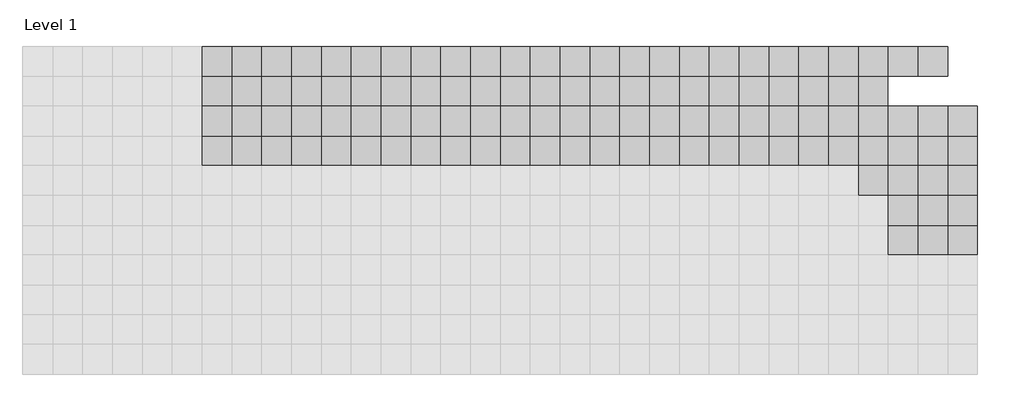
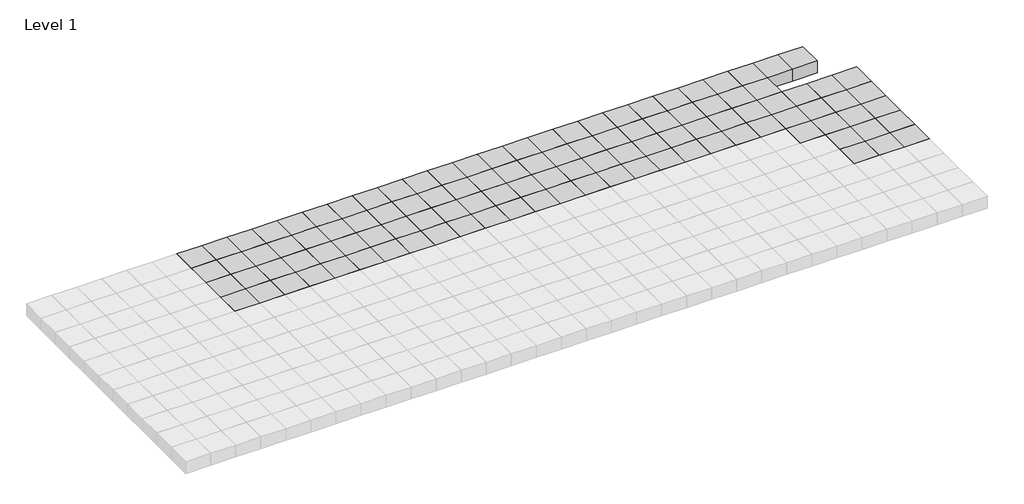
# One storey, part 20 of 30: 110 columns.
"""IFC4 building model written with IfcOpenShell, lengths in millimetres."""

import ifcopenshell
import ifcopenshell.guid

model = None  # the IFC model being written
_history = None  # IfcOwnerHistory: only IFC2X3 demands one
_inside = {}  # id of a spatial element -> (the spatial element, [elements in it])
_under = {}  # id of a project, library or spatial element -> (it, [spatial elements below it])
_declared = {}  # id of a project -> (the project, [libraries it declares])
_typed = {}  # id of a type object -> (the type object, [elements of that type])
_made_of = {}  # id of a material, layer set ... -> (it, [elements and type objects made of it])


def new_model(schema):
    """Start an empty IFC model of exactly this schema.

    Asked for "IFC4X3", IfcOpenShell would pick the latest addendum, in which some entities
    have other attributes; the version numbers below select the first issue.
    IFC2X3 requires an IfcOwnerHistory on every rooted entity: one is made here for all.
    """
    global model, _history
    if schema == "IFC4X3":
        model = ifcopenshell.file(schema_version=(4, 3, 0, 0))
    else:
        model = ifcopenshell.file(schema=schema)
    _inside.clear()
    _under.clear()
    _declared.clear()
    _typed.clear()
    _made_of.clear()
    _history = None
    if model.schema == "IFC2X3":
        org = make("IfcOrganization", Name="unknown")
        user = make(
            "IfcPersonAndOrganization",
            ThePerson=make("IfcPerson", FamilyName="unknown"),
            TheOrganization=org,
        )
        app = make(
            "IfcApplication",
            ApplicationDeveloper=org,
            Version="unknown",
            ApplicationFullName="unknown",
            ApplicationIdentifier="unknown",
        )
        _history = make(
            "IfcOwnerHistory",
            OwningUser=user,
            OwningApplication=app,
            ChangeAction="ADDED",
            CreationDate=0,
        )
    return model


def make(cls, **values):
    """One entity of the class cls with the attributes given. An attribute that is None is left unset."""
    return model.create_entity(
        cls, **{name: value for name, value in values.items() if value is not None}
    )


def rooted(cls, **values):
    """An entity with a GlobalId (a new one), such as an element, a storey or a relation."""
    return make(cls, GlobalId=ifcopenshell.guid.new(), OwnerHistory=_history, **values)


def si_unit(unit_type, name, prefix=None):
    """IfcSIUnit, for example si_unit("LENGTHUNIT", "METRE", prefix="MILLI")."""
    return make("IfcSIUnit", UnitType=unit_type, Prefix=prefix, Name=name)


def assignment(units):
    """IfcUnitAssignment: the units of a project."""
    return None if units is None else make("IfcUnitAssignment", Units=units)


def point(xyz):
    """IfcCartesianPoint."""
    return None if xyz is None else make("IfcCartesianPoint", Coordinates=xyz)


def direction(xyz):
    """IfcDirection."""
    return None if xyz is None else make("IfcDirection", DirectionRatios=xyz)


def frame(location, z_axis=None, x_axis=None):
    """IfcAxis2Placement3D, a coordinate frame: its origin and axes. An axis left out is left unset."""
    return make(
        "IfcAxis2Placement3D",
        Location=point(location),
        Axis=direction(z_axis),
        RefDirection=direction(x_axis),
    )


def origin():
    """The frame at (0, 0, 0) with its axes left unset."""
    return frame((0.0, 0.0, 0.0))


def origin_with_axes():
    """The frame at (0, 0, 0) with the z axis (0, 0, 1) and the x axis (1, 0, 0) written out."""
    return frame((0.0, 0.0, 0.0), z_axis=(0.0, 0.0, 1.0), x_axis=(1.0, 0.0, 0.0))


def place(relative_to, where):
    """IfcLocalPlacement: puts the frame where relative to a parent placement (None: the world)."""
    return make(
        "IfcLocalPlacement", PlacementRelTo=relative_to, RelativePlacement=where
    )


def context(
    kind, dimensions, precision=None, world=None, true_north=None, identifier=None
):
    """IfcGeometricRepresentationContext, for example the 3D "Model" context."""
    return make(
        "IfcGeometricRepresentationContext",
        ContextIdentifier=identifier,
        ContextType=kind,
        CoordinateSpaceDimension=dimensions,
        Precision=precision,
        WorldCoordinateSystem=world,
        TrueNorth=true_north,
    )


def project(units=None, contexts=None):
    """IfcProject with its units and contexts."""
    return rooted(
        "IfcProject",
        Name="project",
        RepresentationContexts=contexts,
        UnitsInContext=assignment(units),
    )


def spatial(cls, under=None, at=None, **own):
    """A site, building, storey or space (cls), placed at a placement, below another one or the project."""
    s = rooted(cls, ObjectPlacement=at, **own)
    if under is not None:
        _under.setdefault(under.id(), (under, []))[1].append(s)
    return s


def polyline(points):
    """IfcPolyline through the points."""
    return make("IfcPolyline", Points=[point(p) for p in points])


def outline(outer, holes=None, kind="AREA"):
    """IfcArbitraryClosedProfileDef: a profile drawn as a closed curve; with holes, ...WithVoids."""
    if holes is None:
        return make("IfcArbitraryClosedProfileDef", ProfileType=kind, OuterCurve=outer)
    return make(
        "IfcArbitraryProfileDefWithVoids",
        ProfileType=kind,
        OuterCurve=outer,
        InnerCurves=holes,
    )


def extrude(swept, where, along, depth):
    """IfcExtrudedAreaSolid: the profile swept, set in the frame where, extruded along a direction by depth."""
    return make(
        "IfcExtrudedAreaSolid",
        SweptArea=swept,
        Position=where,
        ExtrudedDirection=direction(along),
        Depth=depth,
    )


def shape(context_of_items, identifier, shape_type, items):
    """IfcShapeRepresentation: the items that make up one representation, for example the "Body"."""
    return make(
        "IfcShapeRepresentation",
        ContextOfItems=context_of_items,
        RepresentationIdentifier=identifier,
        RepresentationType=shape_type,
        Items=items,
    )


def source(mapping_origin, context_of_items, identifier, shape_type, items):
    """IfcRepresentationMap: a shape defined once, which mapped items show again and again."""
    return make(
        "IfcRepresentationMap",
        MappingOrigin=mapping_origin,
        MappedRepresentation=shape(context_of_items, identifier, shape_type, items),
    )


def transform(
    local_origin,
    x_axis=None,
    y_axis=None,
    z_axis=None,
    scale=None,
    scale2=None,
    scale3=None,
    uniform=True,
):
    """IfcCartesianTransformationOperator3D, or its non-uniform kind. x_axis, y_axis, z_axis: its Axis1, 2, 3."""
    if uniform:
        return make(
            "IfcCartesianTransformationOperator3D",
            Axis1=direction(x_axis),
            Axis2=direction(y_axis),
            LocalOrigin=point(local_origin),
            Scale=scale,
            Axis3=direction(z_axis),
        )
    return make(
        "IfcCartesianTransformationOperator3DnonUniform",
        Axis1=direction(x_axis),
        Axis2=direction(y_axis),
        LocalOrigin=point(local_origin),
        Scale=scale,
        Axis3=direction(z_axis),
        Scale2=scale2,
        Scale3=scale3,
    )


def mapped(mapping_source, mapping_target):
    """IfcMappedItem: shows the shape of a source again, moved by a transform."""
    return make(
        "IfcMappedItem", MappingSource=mapping_source, MappingTarget=mapping_target
    )


def made_of(thing, what):
    """Note that an element or type object is made of a material, layer set ...; save() writes the relation."""
    if what is not None:
        _made_of.setdefault(what.id(), (what, []))[1].append(thing)
    return thing


def element(
    cls,
    number,
    at=None,
    inside=None,
    cuts=None,
    type_object=None,
    material=None,
    context=None,
    identifier="Body",
    shape_type=None,
    held_by="IfcProductDefinitionShape",
    body=None,
    shapes=None,
    **own,
):
    """One element of the class cls, such as IfcWall. Its Tag is "e" and its number.

    at: its placement. inside: the storey or other place that contains it. cuts: it is an
    opening in that element (IfcRelVoidsElement). A single representation is given by context,
    identifier, shape_type and body (its items); several are given by shapes. held_by: the class
    of the entity that holds the representations. save() writes the other relations.
    """
    e = rooted(cls, Tag="e%d" % number, ObjectPlacement=at, **own)
    if body is not None:
        shapes = [shape(context, identifier, shape_type, body)]
    if shapes is not None:
        e.Representation = make(held_by, Representations=shapes)
    if inside is not None:
        _inside.setdefault(inside.id(), (inside, []))[1].append(e)
    if cuts is not None:
        rooted(
            "IfcRelVoidsElement", RelatingBuildingElement=cuts, RelatedOpeningElement=e
        )
    if type_object is not None:
        _typed.setdefault(type_object.id(), (type_object, []))[1].append(e)
    return made_of(e, material)


def aggregate(whole, parts):
    """IfcRelAggregates: a whole, such as a stair, and the parts it consists of."""
    return rooted("IfcRelAggregates", RelatingObject=whole, RelatedObjects=parts)


def save(model, path):
    """Write the relations noted so far, then the file.

    IfcRelAggregates (storeys below a building ...), IfcRelContainedInSpatialStructure (elements
    in a storey), IfcRelDefinesByType, IfcRelAssociatesMaterial and IfcRelDeclares: one each for
    every whole, place, type object, material and project.
    """
    for whole, parts in _under.values():
        aggregate(whole, parts)
    for where, things in _inside.values():
        rooted(
            "IfcRelContainedInSpatialStructure",
            RelatedElements=things,
            RelatingStructure=where,
        )
    for kind, things in _typed.values():
        rooted("IfcRelDefinesByType", RelatedObjects=things, RelatingType=kind)
    for what, things in _made_of.values():
        rooted("IfcRelAssociatesMaterial", RelatedObjects=things, RelatingMaterial=what)
    for by, libraries in _declared.values():
        rooted("IfcRelDeclares", RelatingContext=by, RelatedDefinitions=libraries)
    model.write(path)


def m_concrete_square_column_600_x_600mm_cc081a69(model_context):
    return source(origin(), model_context, "Body", "SweptSolid", [
        extrude(outline(polyline([(300.0, 300.0), (300.0, -300.0), (-300.0, -300.0), (-300.0, 300.0), (300.0, 300.0)])), origin_with_axes(), (0.0, 0.0, 1.0), 300.0),
    ])


model = new_model("IFC4")

# Units and contexts
model_context = context("Model", 3, world=origin())
ifc_project = project(units=[si_unit("LENGTHUNIT", "METRE", prefix="MILLI")], contexts=[model_context])

# Site, building, storey
site = spatial("IfcSite", under=ifc_project)
building = spatial("IfcBuilding", under=site)
storey = spatial("IfcBuildingStorey", under=building, Name="Level 1", Elevation=0.0)

# Columns
placement = place(None, origin())
m_concrete_square_column_600_x_600mm_shape = m_concrete_square_column_600_x_600mm_cc081a69(model_context)
element("IfcColumn", 1, ObjectType="M_Concrete-Square-Column : 600 x 600mm", at=placement, inside=storey, context=model_context, shape_type="MappedRepresentation", body=[
    mapped(m_concrete_square_column_600_x_600mm_shape, transform((80450.9001936, 25869.0976583, 0.0), x_axis=(1.0, 0.0, 0.0), y_axis=(0.0, 1.0, 0.0), z_axis=(0.0, 0.0, 1.0))),
])
element("IfcColumn", 2, ObjectType="M_Concrete-Square-Column : 600 x 600mm", at=placement, inside=storey, context=model_context, shape_type="MappedRepresentation", body=[
    mapped(m_concrete_square_column_600_x_600mm_shape, transform((80450.9001936, 25269.0976583, 0.0), x_axis=(1.0, 0.0, 0.0), y_axis=(0.0, 1.0, 0.0), z_axis=(0.0, 0.0, 1.0))),
])
element("IfcColumn", 3, ObjectType="M_Concrete-Square-Column : 600 x 600mm", at=placement, inside=storey, context=model_context, shape_type="MappedRepresentation", body=[
    mapped(m_concrete_square_column_600_x_600mm_shape, transform((80450.9001936, 24669.0976583, 0.0), x_axis=(1.0, 0.0, 0.0), y_axis=(0.0, 1.0, 0.0), z_axis=(0.0, 0.0, 1.0))),
])
element("IfcColumn", 4, ObjectType="M_Concrete-Square-Column : 600 x 600mm", at=placement, inside=storey, context=model_context, shape_type="MappedRepresentation", body=[
    mapped(m_concrete_square_column_600_x_600mm_shape, transform((80450.9001936, 24069.0976583, 0.0), x_axis=(1.0, 0.0, 0.0), y_axis=(0.0, 1.0, 0.0), z_axis=(0.0, 0.0, 1.0))),
])
element("IfcColumn", 5, ObjectType="M_Concrete-Square-Column : 600 x 600mm", at=placement, inside=storey, context=model_context, shape_type="MappedRepresentation", body=[
    mapped(m_concrete_square_column_600_x_600mm_shape, transform((81050.9001936, 25869.0976583, 0.0), x_axis=(1.0, 0.0, 0.0), y_axis=(0.0, 1.0, 0.0), z_axis=(0.0, 0.0, 1.0))),
])
element("IfcColumn", 6, ObjectType="M_Concrete-Square-Column : 600 x 600mm", at=placement, inside=storey, context=model_context, shape_type="MappedRepresentation", body=[
    mapped(m_concrete_square_column_600_x_600mm_shape, transform((81650.9001936, 25869.0976583, 0.0), x_axis=(1.0, 0.0, 0.0), y_axis=(0.0, 1.0, 0.0), z_axis=(0.0, 0.0, 1.0))),
])
element("IfcColumn", 7, ObjectType="M_Concrete-Square-Column : 600 x 600mm", at=placement, inside=storey, context=model_context, shape_type="MappedRepresentation", body=[
    mapped(m_concrete_square_column_600_x_600mm_shape, transform((82250.9001936, 25869.0976583, 0.0), x_axis=(1.0, 0.0, 0.0), y_axis=(0.0, 1.0, 0.0), z_axis=(0.0, 0.0, 1.0))),
])
element("IfcColumn", 8, ObjectType="M_Concrete-Square-Column : 600 x 600mm", at=placement, inside=storey, context=model_context, shape_type="MappedRepresentation", body=[
    mapped(m_concrete_square_column_600_x_600mm_shape, transform((82850.9001936, 25869.0976583, 0.0), x_axis=(1.0, 0.0, 0.0), y_axis=(0.0, 1.0, 0.0), z_axis=(0.0, 0.0, 1.0))),
])
element("IfcColumn", 9, ObjectType="M_Concrete-Square-Column : 600 x 600mm", at=placement, inside=storey, context=model_context, shape_type="MappedRepresentation", body=[
    mapped(m_concrete_square_column_600_x_600mm_shape, transform((83450.9001936, 25869.0976583, 0.0), x_axis=(1.0, 0.0, 0.0), y_axis=(0.0, 1.0, 0.0), z_axis=(0.0, 0.0, 1.0))),
])
element("IfcColumn", 10, ObjectType="M_Concrete-Square-Column : 600 x 600mm", at=placement, inside=storey, context=model_context, shape_type="MappedRepresentation", body=[
    mapped(m_concrete_square_column_600_x_600mm_shape, transform((81050.9001936, 25269.0976583, 0.0), x_axis=(1.0, 0.0, 0.0), y_axis=(0.0, 1.0, 0.0), z_axis=(0.0, 0.0, 1.0))),
])
element("IfcColumn", 11, ObjectType="M_Concrete-Square-Column : 600 x 600mm", at=placement, inside=storey, context=model_context, shape_type="MappedRepresentation", body=[
    mapped(m_concrete_square_column_600_x_600mm_shape, transform((81650.9001936, 25269.0976583, 0.0), x_axis=(1.0, 0.0, 0.0), y_axis=(0.0, 1.0, 0.0), z_axis=(0.0, 0.0, 1.0))),
])
element("IfcColumn", 12, ObjectType="M_Concrete-Square-Column : 600 x 600mm", at=placement, inside=storey, context=model_context, shape_type="MappedRepresentation", body=[
    mapped(m_concrete_square_column_600_x_600mm_shape, transform((82250.9001936, 25269.0976583, 0.0), x_axis=(1.0, 0.0, 0.0), y_axis=(0.0, 1.0, 0.0), z_axis=(0.0, 0.0, 1.0))),
])
element("IfcColumn", 13, ObjectType="M_Concrete-Square-Column : 600 x 600mm", at=placement, inside=storey, context=model_context, shape_type="MappedRepresentation", body=[
    mapped(m_concrete_square_column_600_x_600mm_shape, transform((82850.9001936, 25269.0976583, 0.0), x_axis=(1.0, 0.0, 0.0), y_axis=(0.0, 1.0, 0.0), z_axis=(0.0, 0.0, 1.0))),
])
element("IfcColumn", 14, ObjectType="M_Concrete-Square-Column : 600 x 600mm", at=placement, inside=storey, context=model_context, shape_type="MappedRepresentation", body=[
    mapped(m_concrete_square_column_600_x_600mm_shape, transform((83450.9001936, 25269.0976583, 0.0), x_axis=(1.0, 0.0, 0.0), y_axis=(0.0, 1.0, 0.0), z_axis=(0.0, 0.0, 1.0))),
])
element("IfcColumn", 15, ObjectType="M_Concrete-Square-Column : 600 x 600mm", at=placement, inside=storey, context=model_context, shape_type="MappedRepresentation", body=[
    mapped(m_concrete_square_column_600_x_600mm_shape, transform((81050.9001936, 24669.0976583, 0.0), x_axis=(1.0, 0.0, 0.0), y_axis=(0.0, 1.0, 0.0), z_axis=(0.0, 0.0, 1.0))),
])
element("IfcColumn", 16, ObjectType="M_Concrete-Square-Column : 600 x 600mm", at=placement, inside=storey, context=model_context, shape_type="MappedRepresentation", body=[
    mapped(m_concrete_square_column_600_x_600mm_shape, transform((81650.9001936, 24669.0976583, 0.0), x_axis=(1.0, 0.0, 0.0), y_axis=(0.0, 1.0, 0.0), z_axis=(0.0, 0.0, 1.0))),
])
element("IfcColumn", 17, ObjectType="M_Concrete-Square-Column : 600 x 600mm", at=placement, inside=storey, context=model_context, shape_type="MappedRepresentation", body=[
    mapped(m_concrete_square_column_600_x_600mm_shape, transform((82250.9001936, 24669.0976583, 0.0), x_axis=(1.0, 0.0, 0.0), y_axis=(0.0, 1.0, 0.0), z_axis=(0.0, 0.0, 1.0))),
])
element("IfcColumn", 18, ObjectType="M_Concrete-Square-Column : 600 x 600mm", at=placement, inside=storey, context=model_context, shape_type="MappedRepresentation", body=[
    mapped(m_concrete_square_column_600_x_600mm_shape, transform((82850.9001936, 24669.0976583, 0.0), x_axis=(1.0, 0.0, 0.0), y_axis=(0.0, 1.0, 0.0), z_axis=(0.0, 0.0, 1.0))),
])
element("IfcColumn", 19, ObjectType="M_Concrete-Square-Column : 600 x 600mm", at=placement, inside=storey, context=model_context, shape_type="MappedRepresentation", body=[
    mapped(m_concrete_square_column_600_x_600mm_shape, transform((83450.9001936, 24669.0976583, 0.0), x_axis=(1.0, 0.0, 0.0), y_axis=(0.0, 1.0, 0.0), z_axis=(0.0, 0.0, 1.0))),
])
element("IfcColumn", 20, ObjectType="M_Concrete-Square-Column : 600 x 600mm", at=placement, inside=storey, context=model_context, shape_type="MappedRepresentation", body=[
    mapped(m_concrete_square_column_600_x_600mm_shape, transform((81050.9001936, 24069.0976583, 0.0), x_axis=(1.0, 0.0, 0.0), y_axis=(0.0, 1.0, 0.0), z_axis=(0.0, 0.0, 1.0))),
])
element("IfcColumn", 21, ObjectType="M_Concrete-Square-Column : 600 x 600mm", at=placement, inside=storey, context=model_context, shape_type="MappedRepresentation", body=[
    mapped(m_concrete_square_column_600_x_600mm_shape, transform((81650.9001936, 24069.0976583, 0.0), x_axis=(1.0, 0.0, 0.0), y_axis=(0.0, 1.0, 0.0), z_axis=(0.0, 0.0, 1.0))),
])
element("IfcColumn", 22, ObjectType="M_Concrete-Square-Column : 600 x 600mm", at=placement, inside=storey, context=model_context, shape_type="MappedRepresentation", body=[
    mapped(m_concrete_square_column_600_x_600mm_shape, transform((82250.9001936, 24069.0976583, 0.0), x_axis=(1.0, 0.0, 0.0), y_axis=(0.0, 1.0, 0.0), z_axis=(0.0, 0.0, 1.0))),
])
element("IfcColumn", 23, ObjectType="M_Concrete-Square-Column : 600 x 600mm", at=placement, inside=storey, context=model_context, shape_type="MappedRepresentation", body=[
    mapped(m_concrete_square_column_600_x_600mm_shape, transform((82850.9001936, 24069.0976583, 0.0), x_axis=(1.0, 0.0, 0.0), y_axis=(0.0, 1.0, 0.0), z_axis=(0.0, 0.0, 1.0))),
])
element("IfcColumn", 24, ObjectType="M_Concrete-Square-Column : 600 x 600mm", at=placement, inside=storey, context=model_context, shape_type="MappedRepresentation", body=[
    mapped(m_concrete_square_column_600_x_600mm_shape, transform((83450.9001936, 24069.0976583, 0.0), x_axis=(1.0, 0.0, 0.0), y_axis=(0.0, 1.0, 0.0), z_axis=(0.0, 0.0, 1.0))),
])
element("IfcColumn", 25, ObjectType="M_Concrete-Square-Column : 600 x 600mm", at=placement, inside=storey, context=model_context, shape_type="MappedRepresentation", body=[
    mapped(m_concrete_square_column_600_x_600mm_shape, transform((84050.9001936, 25869.0976583, 0.0), x_axis=(1.0, 0.0, 0.0), y_axis=(0.0, 1.0, 0.0), z_axis=(0.0, 0.0, 1.0))),
])
element("IfcColumn", 26, ObjectType="M_Concrete-Square-Column : 600 x 600mm", at=placement, inside=storey, context=model_context, shape_type="MappedRepresentation", body=[
    mapped(m_concrete_square_column_600_x_600mm_shape, transform((84650.9001936, 25869.0976583, 0.0), x_axis=(1.0, 0.0, 0.0), y_axis=(0.0, 1.0, 0.0), z_axis=(0.0, 0.0, 1.0))),
])
element("IfcColumn", 27, ObjectType="M_Concrete-Square-Column : 600 x 600mm", at=placement, inside=storey, context=model_context, shape_type="MappedRepresentation", body=[
    mapped(m_concrete_square_column_600_x_600mm_shape, transform((85250.9001936, 25869.0976583, 0.0), x_axis=(1.0, 0.0, 0.0), y_axis=(0.0, 1.0, 0.0), z_axis=(0.0, 0.0, 1.0))),
])
element("IfcColumn", 28, ObjectType="M_Concrete-Square-Column : 600 x 600mm", at=placement, inside=storey, context=model_context, shape_type="MappedRepresentation", body=[
    mapped(m_concrete_square_column_600_x_600mm_shape, transform((85850.9001936, 25869.0976583, 0.0), x_axis=(1.0, 0.0, 0.0), y_axis=(0.0, 1.0, 0.0), z_axis=(0.0, 0.0, 1.0))),
])
element("IfcColumn", 29, ObjectType="M_Concrete-Square-Column : 600 x 600mm", at=placement, inside=storey, context=model_context, shape_type="MappedRepresentation", body=[
    mapped(m_concrete_square_column_600_x_600mm_shape, transform((86450.9001936, 25869.0976583, 0.0), x_axis=(1.0, 0.0, 0.0), y_axis=(0.0, 1.0, 0.0), z_axis=(0.0, 0.0, 1.0))),
])
element("IfcColumn", 30, ObjectType="M_Concrete-Square-Column : 600 x 600mm", at=placement, inside=storey, context=model_context, shape_type="MappedRepresentation", body=[
    mapped(m_concrete_square_column_600_x_600mm_shape, transform((84050.9001936, 25269.0976583, 0.0), x_axis=(1.0, 0.0, 0.0), y_axis=(0.0, 1.0, 0.0), z_axis=(0.0, 0.0, 1.0))),
])
element("IfcColumn", 31, ObjectType="M_Concrete-Square-Column : 600 x 600mm", at=placement, inside=storey, context=model_context, shape_type="MappedRepresentation", body=[
    mapped(m_concrete_square_column_600_x_600mm_shape, transform((84650.9001936, 25269.0976583, 0.0), x_axis=(1.0, 0.0, 0.0), y_axis=(0.0, 1.0, 0.0), z_axis=(0.0, 0.0, 1.0))),
])
element("IfcColumn", 32, ObjectType="M_Concrete-Square-Column : 600 x 600mm", at=placement, inside=storey, context=model_context, shape_type="MappedRepresentation", body=[
    mapped(m_concrete_square_column_600_x_600mm_shape, transform((85250.9001936, 25269.0976583, 0.0), x_axis=(1.0, 0.0, 0.0), y_axis=(0.0, 1.0, 0.0), z_axis=(0.0, 0.0, 1.0))),
])
element("IfcColumn", 33, ObjectType="M_Concrete-Square-Column : 600 x 600mm", at=placement, inside=storey, context=model_context, shape_type="MappedRepresentation", body=[
    mapped(m_concrete_square_column_600_x_600mm_shape, transform((85850.9001936, 25269.0976583, 0.0), x_axis=(1.0, 0.0, 0.0), y_axis=(0.0, 1.0, 0.0), z_axis=(0.0, 0.0, 1.0))),
])
element("IfcColumn", 34, ObjectType="M_Concrete-Square-Column : 600 x 600mm", at=placement, inside=storey, context=model_context, shape_type="MappedRepresentation", body=[
    mapped(m_concrete_square_column_600_x_600mm_shape, transform((86450.9001936, 25269.0976583, 0.0), x_axis=(1.0, 0.0, 0.0), y_axis=(0.0, 1.0, 0.0), z_axis=(0.0, 0.0, 1.0))),
])
element("IfcColumn", 35, ObjectType="M_Concrete-Square-Column : 600 x 600mm", at=placement, inside=storey, context=model_context, shape_type="MappedRepresentation", body=[
    mapped(m_concrete_square_column_600_x_600mm_shape, transform((84050.9001936, 24669.0976583, 0.0), x_axis=(1.0, 0.0, 0.0), y_axis=(0.0, 1.0, 0.0), z_axis=(0.0, 0.0, 1.0))),
])
element("IfcColumn", 36, ObjectType="M_Concrete-Square-Column : 600 x 600mm", at=placement, inside=storey, context=model_context, shape_type="MappedRepresentation", body=[
    mapped(m_concrete_square_column_600_x_600mm_shape, transform((84650.9001936, 24669.0976583, 0.0), x_axis=(1.0, 0.0, 0.0), y_axis=(0.0, 1.0, 0.0), z_axis=(0.0, 0.0, 1.0))),
])
element("IfcColumn", 37, ObjectType="M_Concrete-Square-Column : 600 x 600mm", at=placement, inside=storey, context=model_context, shape_type="MappedRepresentation", body=[
    mapped(m_concrete_square_column_600_x_600mm_shape, transform((85250.9001936, 24669.0976583, 0.0), x_axis=(1.0, 0.0, 0.0), y_axis=(0.0, 1.0, 0.0), z_axis=(0.0, 0.0, 1.0))),
])
element("IfcColumn", 38, ObjectType="M_Concrete-Square-Column : 600 x 600mm", at=placement, inside=storey, context=model_context, shape_type="MappedRepresentation", body=[
    mapped(m_concrete_square_column_600_x_600mm_shape, transform((85850.9001936, 24669.0976583, 0.0), x_axis=(1.0, 0.0, 0.0), y_axis=(0.0, 1.0, 0.0), z_axis=(0.0, 0.0, 1.0))),
])
element("IfcColumn", 39, ObjectType="M_Concrete-Square-Column : 600 x 600mm", at=placement, inside=storey, context=model_context, shape_type="MappedRepresentation", body=[
    mapped(m_concrete_square_column_600_x_600mm_shape, transform((86450.9001936, 24669.0976583, 0.0), x_axis=(1.0, 0.0, 0.0), y_axis=(0.0, 1.0, 0.0), z_axis=(0.0, 0.0, 1.0))),
])
element("IfcColumn", 40, ObjectType="M_Concrete-Square-Column : 600 x 600mm", at=placement, inside=storey, context=model_context, shape_type="MappedRepresentation", body=[
    mapped(m_concrete_square_column_600_x_600mm_shape, transform((84050.9001936, 24069.0976583, 0.0), x_axis=(1.0, 0.0, 0.0), y_axis=(0.0, 1.0, 0.0), z_axis=(0.0, 0.0, 1.0))),
])
element("IfcColumn", 41, ObjectType="M_Concrete-Square-Column : 600 x 600mm", at=placement, inside=storey, context=model_context, shape_type="MappedRepresentation", body=[
    mapped(m_concrete_square_column_600_x_600mm_shape, transform((84650.9001936, 24069.0976583, 0.0), x_axis=(1.0, 0.0, 0.0), y_axis=(0.0, 1.0, 0.0), z_axis=(0.0, 0.0, 1.0))),
])
element("IfcColumn", 42, ObjectType="M_Concrete-Square-Column : 600 x 600mm", at=placement, inside=storey, context=model_context, shape_type="MappedRepresentation", body=[
    mapped(m_concrete_square_column_600_x_600mm_shape, transform((85250.9001936, 24069.0976583, 0.0), x_axis=(1.0, 0.0, 0.0), y_axis=(0.0, 1.0, 0.0), z_axis=(0.0, 0.0, 1.0))),
])
element("IfcColumn", 43, ObjectType="M_Concrete-Square-Column : 600 x 600mm", at=placement, inside=storey, context=model_context, shape_type="MappedRepresentation", body=[
    mapped(m_concrete_square_column_600_x_600mm_shape, transform((85850.9001936, 24069.0976583, 0.0), x_axis=(1.0, 0.0, 0.0), y_axis=(0.0, 1.0, 0.0), z_axis=(0.0, 0.0, 1.0))),
])
element("IfcColumn", 44, ObjectType="M_Concrete-Square-Column : 600 x 600mm", at=placement, inside=storey, context=model_context, shape_type="MappedRepresentation", body=[
    mapped(m_concrete_square_column_600_x_600mm_shape, transform((86450.9001936, 24069.0976583, 0.0), x_axis=(1.0, 0.0, 0.0), y_axis=(0.0, 1.0, 0.0), z_axis=(0.0, 0.0, 1.0))),
])
element("IfcColumn", 45, ObjectType="M_Concrete-Square-Column : 600 x 600mm", at=placement, inside=storey, context=model_context, shape_type="MappedRepresentation", body=[
    mapped(m_concrete_square_column_600_x_600mm_shape, transform((87050.9001936, 25869.0976583, 0.0), x_axis=(1.0, 0.0, 0.0), y_axis=(0.0, 1.0, 0.0), z_axis=(0.0, 0.0, 1.0))),
])
element("IfcColumn", 46, ObjectType="M_Concrete-Square-Column : 600 x 600mm", at=placement, inside=storey, context=model_context, shape_type="MappedRepresentation", body=[
    mapped(m_concrete_square_column_600_x_600mm_shape, transform((87650.9001936, 25869.0976583, 0.0), x_axis=(1.0, 0.0, 0.0), y_axis=(0.0, 1.0, 0.0), z_axis=(0.0, 0.0, 1.0))),
])
element("IfcColumn", 47, ObjectType="M_Concrete-Square-Column : 600 x 600mm", at=placement, inside=storey, context=model_context, shape_type="MappedRepresentation", body=[
    mapped(m_concrete_square_column_600_x_600mm_shape, transform((88250.9001936, 25869.0976583, 0.0), x_axis=(1.0, 0.0, 0.0), y_axis=(0.0, 1.0, 0.0), z_axis=(0.0, 0.0, 1.0))),
])
element("IfcColumn", 48, ObjectType="M_Concrete-Square-Column : 600 x 600mm", at=placement, inside=storey, context=model_context, shape_type="MappedRepresentation", body=[
    mapped(m_concrete_square_column_600_x_600mm_shape, transform((88850.9001936, 25869.0976583, 0.0), x_axis=(1.0, 0.0, 0.0), y_axis=(0.0, 1.0, 0.0), z_axis=(0.0, 0.0, 1.0))),
])
element("IfcColumn", 49, ObjectType="M_Concrete-Square-Column : 600 x 600mm", at=placement, inside=storey, context=model_context, shape_type="MappedRepresentation", body=[
    mapped(m_concrete_square_column_600_x_600mm_shape, transform((89450.9001936, 25869.0976583, 0.0), x_axis=(1.0, 0.0, 0.0), y_axis=(0.0, 1.0, 0.0), z_axis=(0.0, 0.0, 1.0))),
])
element("IfcColumn", 50, ObjectType="M_Concrete-Square-Column : 600 x 600mm", at=placement, inside=storey, context=model_context, shape_type="MappedRepresentation", body=[
    mapped(m_concrete_square_column_600_x_600mm_shape, transform((87050.9001936, 25269.0976583, 0.0), x_axis=(1.0, 0.0, 0.0), y_axis=(0.0, 1.0, 0.0), z_axis=(0.0, 0.0, 1.0))),
])
element("IfcColumn", 51, ObjectType="M_Concrete-Square-Column : 600 x 600mm", at=placement, inside=storey, context=model_context, shape_type="MappedRepresentation", body=[
    mapped(m_concrete_square_column_600_x_600mm_shape, transform((87650.9001936, 25269.0976583, 0.0), x_axis=(1.0, 0.0, 0.0), y_axis=(0.0, 1.0, 0.0), z_axis=(0.0, 0.0, 1.0))),
])
element("IfcColumn", 52, ObjectType="M_Concrete-Square-Column : 600 x 600mm", at=placement, inside=storey, context=model_context, shape_type="MappedRepresentation", body=[
    mapped(m_concrete_square_column_600_x_600mm_shape, transform((88250.9001936, 25269.0976583, 0.0), x_axis=(1.0, 0.0, 0.0), y_axis=(0.0, 1.0, 0.0), z_axis=(0.0, 0.0, 1.0))),
])
element("IfcColumn", 53, ObjectType="M_Concrete-Square-Column : 600 x 600mm", at=placement, inside=storey, context=model_context, shape_type="MappedRepresentation", body=[
    mapped(m_concrete_square_column_600_x_600mm_shape, transform((88850.9001936, 25269.0976583, 0.0), x_axis=(1.0, 0.0, 0.0), y_axis=(0.0, 1.0, 0.0), z_axis=(0.0, 0.0, 1.0))),
])
element("IfcColumn", 54, ObjectType="M_Concrete-Square-Column : 600 x 600mm", at=placement, inside=storey, context=model_context, shape_type="MappedRepresentation", body=[
    mapped(m_concrete_square_column_600_x_600mm_shape, transform((89450.9001936, 25269.0976583, 0.0), x_axis=(1.0, 0.0, 0.0), y_axis=(0.0, 1.0, 0.0), z_axis=(0.0, 0.0, 1.0))),
])
element("IfcColumn", 55, ObjectType="M_Concrete-Square-Column : 600 x 600mm", at=placement, inside=storey, context=model_context, shape_type="MappedRepresentation", body=[
    mapped(m_concrete_square_column_600_x_600mm_shape, transform((87050.9001936, 24669.0976583, 0.0), x_axis=(1.0, 0.0, 0.0), y_axis=(0.0, 1.0, 0.0), z_axis=(0.0, 0.0, 1.0))),
])
element("IfcColumn", 56, ObjectType="M_Concrete-Square-Column : 600 x 600mm", at=placement, inside=storey, context=model_context, shape_type="MappedRepresentation", body=[
    mapped(m_concrete_square_column_600_x_600mm_shape, transform((87650.9001936, 24669.0976583, 0.0), x_axis=(1.0, 0.0, 0.0), y_axis=(0.0, 1.0, 0.0), z_axis=(0.0, 0.0, 1.0))),
])
element("IfcColumn", 57, ObjectType="M_Concrete-Square-Column : 600 x 600mm", at=placement, inside=storey, context=model_context, shape_type="MappedRepresentation", body=[
    mapped(m_concrete_square_column_600_x_600mm_shape, transform((88250.9001936, 24669.0976583, 0.0), x_axis=(1.0, 0.0, 0.0), y_axis=(0.0, 1.0, 0.0), z_axis=(0.0, 0.0, 1.0))),
])
element("IfcColumn", 58, ObjectType="M_Concrete-Square-Column : 600 x 600mm", at=placement, inside=storey, context=model_context, shape_type="MappedRepresentation", body=[
    mapped(m_concrete_square_column_600_x_600mm_shape, transform((88850.9001936, 24669.0976583, 0.0), x_axis=(1.0, 0.0, 0.0), y_axis=(0.0, 1.0, 0.0), z_axis=(0.0, 0.0, 1.0))),
])
element("IfcColumn", 59, ObjectType="M_Concrete-Square-Column : 600 x 600mm", at=placement, inside=storey, context=model_context, shape_type="MappedRepresentation", body=[
    mapped(m_concrete_square_column_600_x_600mm_shape, transform((89450.9001936, 24669.0976583, 0.0), x_axis=(1.0, 0.0, 0.0), y_axis=(0.0, 1.0, 0.0), z_axis=(0.0, 0.0, 1.0))),
])
element("IfcColumn", 60, ObjectType="M_Concrete-Square-Column : 600 x 600mm", at=placement, inside=storey, context=model_context, shape_type="MappedRepresentation", body=[
    mapped(m_concrete_square_column_600_x_600mm_shape, transform((87050.9001936, 24069.0976583, 0.0), x_axis=(1.0, 0.0, 0.0), y_axis=(0.0, 1.0, 0.0), z_axis=(0.0, 0.0, 1.0))),
])
element("IfcColumn", 61, ObjectType="M_Concrete-Square-Column : 600 x 600mm", at=placement, inside=storey, context=model_context, shape_type="MappedRepresentation", body=[
    mapped(m_concrete_square_column_600_x_600mm_shape, transform((87650.9001936, 24069.0976583, 0.0), x_axis=(1.0, 0.0, 0.0), y_axis=(0.0, 1.0, 0.0), z_axis=(0.0, 0.0, 1.0))),
])
element("IfcColumn", 62, ObjectType="M_Concrete-Square-Column : 600 x 600mm", at=placement, inside=storey, context=model_context, shape_type="MappedRepresentation", body=[
    mapped(m_concrete_square_column_600_x_600mm_shape, transform((88250.9001936, 24069.0976583, 0.0), x_axis=(1.0, 0.0, 0.0), y_axis=(0.0, 1.0, 0.0), z_axis=(0.0, 0.0, 1.0))),
])
element("IfcColumn", 63, ObjectType="M_Concrete-Square-Column : 600 x 600mm", at=placement, inside=storey, context=model_context, shape_type="MappedRepresentation", body=[
    mapped(m_concrete_square_column_600_x_600mm_shape, transform((88850.9001936, 24069.0976583, 0.0), x_axis=(1.0, 0.0, 0.0), y_axis=(0.0, 1.0, 0.0), z_axis=(0.0, 0.0, 1.0))),
])
element("IfcColumn", 64, ObjectType="M_Concrete-Square-Column : 600 x 600mm", at=placement, inside=storey, context=model_context, shape_type="MappedRepresentation", body=[
    mapped(m_concrete_square_column_600_x_600mm_shape, transform((89450.9001936, 24069.0976583, 0.0), x_axis=(1.0, 0.0, 0.0), y_axis=(0.0, 1.0, 0.0), z_axis=(0.0, 0.0, 1.0))),
])
element("IfcColumn", 65, ObjectType="M_Concrete-Square-Column : 600 x 600mm", at=placement, inside=storey, context=model_context, shape_type="MappedRepresentation", body=[
    mapped(m_concrete_square_column_600_x_600mm_shape, transform((90050.9001936, 25869.0976583, 0.0), x_axis=(1.0, 0.0, 0.0), y_axis=(0.0, 1.0, 0.0), z_axis=(0.0, 0.0, 1.0))),
])
element("IfcColumn", 66, ObjectType="M_Concrete-Square-Column : 600 x 600mm", at=placement, inside=storey, context=model_context, shape_type="MappedRepresentation", body=[
    mapped(m_concrete_square_column_600_x_600mm_shape, transform((90650.9001936, 25869.0976583, 0.0), x_axis=(1.0, 0.0, 0.0), y_axis=(0.0, 1.0, 0.0), z_axis=(0.0, 0.0, 1.0))),
])
element("IfcColumn", 67, ObjectType="M_Concrete-Square-Column : 600 x 600mm", at=placement, inside=storey, context=model_context, shape_type="MappedRepresentation", body=[
    mapped(m_concrete_square_column_600_x_600mm_shape, transform((91250.9001936, 25869.0976583, 0.0), x_axis=(1.0, 0.0, 0.0), y_axis=(0.0, 1.0, 0.0), z_axis=(0.0, 0.0, 1.0))),
])
element("IfcColumn", 68, ObjectType="M_Concrete-Square-Column : 600 x 600mm", at=placement, inside=storey, context=model_context, shape_type="MappedRepresentation", body=[
    mapped(m_concrete_square_column_600_x_600mm_shape, transform((91850.9001936, 25869.0976583, 0.0), x_axis=(1.0, 0.0, 0.0), y_axis=(0.0, 1.0, 0.0), z_axis=(0.0, 0.0, 1.0))),
])
element("IfcColumn", 69, ObjectType="M_Concrete-Square-Column : 600 x 600mm", at=placement, inside=storey, context=model_context, shape_type="MappedRepresentation", body=[
    mapped(m_concrete_square_column_600_x_600mm_shape, transform((92450.9001936, 25869.0976583, 0.0), x_axis=(1.0, 0.0, 0.0), y_axis=(0.0, 1.0, 0.0), z_axis=(0.0, 0.0, 1.0))),
])
element("IfcColumn", 70, ObjectType="M_Concrete-Square-Column : 600 x 600mm", at=placement, inside=storey, context=model_context, shape_type="MappedRepresentation", body=[
    mapped(m_concrete_square_column_600_x_600mm_shape, transform((90050.9001936, 25269.0976583, 0.0), x_axis=(1.0, 0.0, 0.0), y_axis=(0.0, 1.0, 0.0), z_axis=(0.0, 0.0, 1.0))),
])
element("IfcColumn", 71, ObjectType="M_Concrete-Square-Column : 600 x 600mm", at=placement, inside=storey, context=model_context, shape_type="MappedRepresentation", body=[
    mapped(m_concrete_square_column_600_x_600mm_shape, transform((90650.9001936, 25269.0976583, 0.0), x_axis=(1.0, 0.0, 0.0), y_axis=(0.0, 1.0, 0.0), z_axis=(0.0, 0.0, 1.0))),
])
element("IfcColumn", 72, ObjectType="M_Concrete-Square-Column : 600 x 600mm", at=placement, inside=storey, context=model_context, shape_type="MappedRepresentation", body=[
    mapped(m_concrete_square_column_600_x_600mm_shape, transform((91250.9001936, 25269.0976583, 0.0), x_axis=(1.0, 0.0, 0.0), y_axis=(0.0, 1.0, 0.0), z_axis=(0.0, 0.0, 1.0))),
])
element("IfcColumn", 73, ObjectType="M_Concrete-Square-Column : 600 x 600mm", at=placement, inside=storey, context=model_context, shape_type="MappedRepresentation", body=[
    mapped(m_concrete_square_column_600_x_600mm_shape, transform((91850.9001936, 25269.0976583, 0.0), x_axis=(1.0, 0.0, 0.0), y_axis=(0.0, 1.0, 0.0), z_axis=(0.0, 0.0, 1.0))),
])
element("IfcColumn", 74, ObjectType="M_Concrete-Square-Column : 600 x 600mm", at=placement, inside=storey, context=model_context, shape_type="MappedRepresentation", body=[
    mapped(m_concrete_square_column_600_x_600mm_shape, transform((92450.9001936, 25269.0976583, 0.0), x_axis=(1.0, 0.0, 0.0), y_axis=(0.0, 1.0, 0.0), z_axis=(0.0, 0.0, 1.0))),
])
element("IfcColumn", 75, ObjectType="M_Concrete-Square-Column : 600 x 600mm", at=placement, inside=storey, context=model_context, shape_type="MappedRepresentation", body=[
    mapped(m_concrete_square_column_600_x_600mm_shape, transform((90050.9001936, 24669.0976583, 0.0), x_axis=(1.0, 0.0, 0.0), y_axis=(0.0, 1.0, 0.0), z_axis=(0.0, 0.0, 1.0))),
])
element("IfcColumn", 76, ObjectType="M_Concrete-Square-Column : 600 x 600mm", at=placement, inside=storey, context=model_context, shape_type="MappedRepresentation", body=[
    mapped(m_concrete_square_column_600_x_600mm_shape, transform((90650.9001936, 24669.0976583, 0.0), x_axis=(1.0, 0.0, 0.0), y_axis=(0.0, 1.0, 0.0), z_axis=(0.0, 0.0, 1.0))),
])
element("IfcColumn", 77, ObjectType="M_Concrete-Square-Column : 600 x 600mm", at=placement, inside=storey, context=model_context, shape_type="MappedRepresentation", body=[
    mapped(m_concrete_square_column_600_x_600mm_shape, transform((91250.9001936, 24669.0976583, 0.0), x_axis=(1.0, 0.0, 0.0), y_axis=(0.0, 1.0, 0.0), z_axis=(0.0, 0.0, 1.0))),
])
element("IfcColumn", 78, ObjectType="M_Concrete-Square-Column : 600 x 600mm", at=placement, inside=storey, context=model_context, shape_type="MappedRepresentation", body=[
    mapped(m_concrete_square_column_600_x_600mm_shape, transform((91850.9001936, 24669.0976583, 0.0), x_axis=(1.0, 0.0, 0.0), y_axis=(0.0, 1.0, 0.0), z_axis=(0.0, 0.0, 1.0))),
])
element("IfcColumn", 79, ObjectType="M_Concrete-Square-Column : 600 x 600mm", at=placement, inside=storey, context=model_context, shape_type="MappedRepresentation", body=[
    mapped(m_concrete_square_column_600_x_600mm_shape, transform((92450.9001936, 24669.0976583, 0.0), x_axis=(1.0, 0.0, 0.0), y_axis=(0.0, 1.0, 0.0), z_axis=(0.0, 0.0, 1.0))),
])
element("IfcColumn", 80, ObjectType="M_Concrete-Square-Column : 600 x 600mm", at=placement, inside=storey, context=model_context, shape_type="MappedRepresentation", body=[
    mapped(m_concrete_square_column_600_x_600mm_shape, transform((90050.9001936, 24069.0976583, 0.0), x_axis=(1.0, 0.0, 0.0), y_axis=(0.0, 1.0, 0.0), z_axis=(0.0, 0.0, 1.0))),
])
element("IfcColumn", 81, ObjectType="M_Concrete-Square-Column : 600 x 600mm", at=placement, inside=storey, context=model_context, shape_type="MappedRepresentation", body=[
    mapped(m_concrete_square_column_600_x_600mm_shape, transform((90650.9001936, 24069.0976583, 0.0), x_axis=(1.0, 0.0, 0.0), y_axis=(0.0, 1.0, 0.0), z_axis=(0.0, 0.0, 1.0))),
])
element("IfcColumn", 82, ObjectType="M_Concrete-Square-Column : 600 x 600mm", at=placement, inside=storey, context=model_context, shape_type="MappedRepresentation", body=[
    mapped(m_concrete_square_column_600_x_600mm_shape, transform((91250.9001936, 24069.0976583, 0.0), x_axis=(1.0, 0.0, 0.0), y_axis=(0.0, 1.0, 0.0), z_axis=(0.0, 0.0, 1.0))),
])
element("IfcColumn", 83, ObjectType="M_Concrete-Square-Column : 600 x 600mm", at=placement, inside=storey, context=model_context, shape_type="MappedRepresentation", body=[
    mapped(m_concrete_square_column_600_x_600mm_shape, transform((91850.9001936, 24069.0976583, 0.0), x_axis=(1.0, 0.0, 0.0), y_axis=(0.0, 1.0, 0.0), z_axis=(0.0, 0.0, 1.0))),
])
element("IfcColumn", 84, ObjectType="M_Concrete-Square-Column : 600 x 600mm", at=placement, inside=storey, context=model_context, shape_type="MappedRepresentation", body=[
    mapped(m_concrete_square_column_600_x_600mm_shape, transform((92450.9001936, 24069.0976583, 0.0), x_axis=(1.0, 0.0, 0.0), y_axis=(0.0, 1.0, 0.0), z_axis=(0.0, 0.0, 1.0))),
])
element("IfcColumn", 85, ObjectType="M_Concrete-Square-Column : 600 x 600mm", at=placement, inside=storey, context=model_context, shape_type="MappedRepresentation", body=[
    mapped(m_concrete_square_column_600_x_600mm_shape, transform((93050.9001936, 25869.0976583, 0.0), x_axis=(1.0, 0.0, 0.0), y_axis=(0.0, 1.0, 0.0), z_axis=(0.0, 0.0, 1.0))),
])
element("IfcColumn", 86, ObjectType="M_Concrete-Square-Column : 600 x 600mm", at=placement, inside=storey, context=model_context, shape_type="MappedRepresentation", body=[
    mapped(m_concrete_square_column_600_x_600mm_shape, transform((93650.9001936, 25869.0976583, 0.0), x_axis=(1.0, 0.0, 0.0), y_axis=(0.0, 1.0, 0.0), z_axis=(0.0, 0.0, 1.0))),
])
element("IfcColumn", 87, ObjectType="M_Concrete-Square-Column : 600 x 600mm", at=placement, inside=storey, context=model_context, shape_type="MappedRepresentation", body=[
    mapped(m_concrete_square_column_600_x_600mm_shape, transform((94250.9001936, 25869.0976583, 0.0), x_axis=(1.0, 0.0, 0.0), y_axis=(0.0, 1.0, 0.0), z_axis=(0.0, 0.0, 1.0))),
])
element("IfcColumn", 88, ObjectType="M_Concrete-Square-Column : 600 x 600mm", at=placement, inside=storey, context=model_context, shape_type="MappedRepresentation", body=[
    mapped(m_concrete_square_column_600_x_600mm_shape, transform((94850.9001936, 25869.0976583, 0.0), x_axis=(1.0, 0.0, 0.0), y_axis=(0.0, 1.0, 0.0), z_axis=(0.0, 0.0, 1.0))),
])
element("IfcColumn", 89, ObjectType="M_Concrete-Square-Column : 600 x 600mm", at=placement, inside=storey, context=model_context, shape_type="MappedRepresentation", body=[
    mapped(m_concrete_square_column_600_x_600mm_shape, transform((93050.9001936, 25269.0976583, 0.0), x_axis=(1.0, 0.0, 0.0), y_axis=(0.0, 1.0, 0.0), z_axis=(0.0, 0.0, 1.0))),
])
element("IfcColumn", 90, ObjectType="M_Concrete-Square-Column : 600 x 600mm", at=placement, inside=storey, context=model_context, shape_type="MappedRepresentation", body=[
    mapped(m_concrete_square_column_600_x_600mm_shape, transform((93650.9001936, 25269.0976583, 0.0), x_axis=(1.0, 0.0, 0.0), y_axis=(0.0, 1.0, 0.0), z_axis=(0.0, 0.0, 1.0))),
])
element("IfcColumn", 91, ObjectType="M_Concrete-Square-Column : 600 x 600mm", at=placement, inside=storey, context=model_context, shape_type="MappedRepresentation", body=[
    mapped(m_concrete_square_column_600_x_600mm_shape, transform((93050.9001936, 24669.0976583, 0.0), x_axis=(1.0, 0.0, 0.0), y_axis=(0.0, 1.0, 0.0), z_axis=(0.0, 0.0, 1.0))),
])
element("IfcColumn", 92, ObjectType="M_Concrete-Square-Column : 600 x 600mm", at=placement, inside=storey, context=model_context, shape_type="MappedRepresentation", body=[
    mapped(m_concrete_square_column_600_x_600mm_shape, transform((93650.9001936, 24669.0976583, 0.0), x_axis=(1.0, 0.0, 0.0), y_axis=(0.0, 1.0, 0.0), z_axis=(0.0, 0.0, 1.0))),
])
element("IfcColumn", 93, ObjectType="M_Concrete-Square-Column : 600 x 600mm", at=placement, inside=storey, context=model_context, shape_type="MappedRepresentation", body=[
    mapped(m_concrete_square_column_600_x_600mm_shape, transform((94250.9001936, 24669.0976583, 0.0), x_axis=(1.0, 0.0, 0.0), y_axis=(0.0, 1.0, 0.0), z_axis=(0.0, 0.0, 1.0))),
])
element("IfcColumn", 94, ObjectType="M_Concrete-Square-Column : 600 x 600mm", at=placement, inside=storey, context=model_context, shape_type="MappedRepresentation", body=[
    mapped(m_concrete_square_column_600_x_600mm_shape, transform((94850.9001936, 24669.0976583, 0.0), x_axis=(1.0, 0.0, 0.0), y_axis=(0.0, 1.0, 0.0), z_axis=(0.0, 0.0, 1.0))),
])
element("IfcColumn", 95, ObjectType="M_Concrete-Square-Column : 600 x 600mm", at=placement, inside=storey, context=model_context, shape_type="MappedRepresentation", body=[
    mapped(m_concrete_square_column_600_x_600mm_shape, transform((95450.9001936, 24669.0976583, 0.0), x_axis=(1.0, 0.0, 0.0), y_axis=(0.0, 1.0, 0.0), z_axis=(0.0, 0.0, 1.0))),
])
element("IfcColumn", 96, ObjectType="M_Concrete-Square-Column : 600 x 600mm", at=placement, inside=storey, context=model_context, shape_type="MappedRepresentation", body=[
    mapped(m_concrete_square_column_600_x_600mm_shape, transform((93050.9001936, 24069.0976583, 0.0), x_axis=(1.0, 0.0, 0.0), y_axis=(0.0, 1.0, 0.0), z_axis=(0.0, 0.0, 1.0))),
])
element("IfcColumn", 97, ObjectType="M_Concrete-Square-Column : 600 x 600mm", at=placement, inside=storey, context=model_context, shape_type="MappedRepresentation", body=[
    mapped(m_concrete_square_column_600_x_600mm_shape, transform((93650.9001936, 24069.0976583, 0.0), x_axis=(1.0, 0.0, 0.0), y_axis=(0.0, 1.0, 0.0), z_axis=(0.0, 0.0, 1.0))),
])
element("IfcColumn", 98, ObjectType="M_Concrete-Square-Column : 600 x 600mm", at=placement, inside=storey, context=model_context, shape_type="MappedRepresentation", body=[
    mapped(m_concrete_square_column_600_x_600mm_shape, transform((94250.9001936, 24069.0976583, 0.0), x_axis=(1.0, 0.0, 0.0), y_axis=(0.0, 1.0, 0.0), z_axis=(0.0, 0.0, 1.0))),
])
element("IfcColumn", 99, ObjectType="M_Concrete-Square-Column : 600 x 600mm", at=placement, inside=storey, context=model_context, shape_type="MappedRepresentation", body=[
    mapped(m_concrete_square_column_600_x_600mm_shape, transform((94850.9001936, 24069.0976583, 0.0), x_axis=(1.0, 0.0, 0.0), y_axis=(0.0, 1.0, 0.0), z_axis=(0.0, 0.0, 1.0))),
])
element("IfcColumn", 100, ObjectType="M_Concrete-Square-Column : 600 x 600mm", at=placement, inside=storey, context=model_context, shape_type="MappedRepresentation", body=[
    mapped(m_concrete_square_column_600_x_600mm_shape, transform((95450.9001936, 24069.0976583, 0.0), x_axis=(1.0, 0.0, 0.0), y_axis=(0.0, 1.0, 0.0), z_axis=(0.0, 0.0, 1.0))),
])
element("IfcColumn", 101, ObjectType="M_Concrete-Square-Column : 600 x 600mm", at=placement, inside=storey, context=model_context, shape_type="MappedRepresentation", body=[
    mapped(m_concrete_square_column_600_x_600mm_shape, transform((93650.9001936, 23469.0976583, 0.0), x_axis=(1.0, 0.0, 0.0), y_axis=(0.0, 1.0, 0.0), z_axis=(0.0, 0.0, 1.0))),
])
element("IfcColumn", 102, ObjectType="M_Concrete-Square-Column : 600 x 600mm", at=placement, inside=storey, context=model_context, shape_type="MappedRepresentation", body=[
    mapped(m_concrete_square_column_600_x_600mm_shape, transform((94250.9001936, 23469.0976583, 0.0), x_axis=(1.0, 0.0, 0.0), y_axis=(0.0, 1.0, 0.0), z_axis=(0.0, 0.0, 1.0))),
])
element("IfcColumn", 103, ObjectType="M_Concrete-Square-Column : 600 x 600mm", at=placement, inside=storey, context=model_context, shape_type="MappedRepresentation", body=[
    mapped(m_concrete_square_column_600_x_600mm_shape, transform((94850.9001936, 23469.0976583, 0.0), x_axis=(1.0, 0.0, 0.0), y_axis=(0.0, 1.0, 0.0), z_axis=(0.0, 0.0, 1.0))),
])
element("IfcColumn", 104, ObjectType="M_Concrete-Square-Column : 600 x 600mm", at=placement, inside=storey, context=model_context, shape_type="MappedRepresentation", body=[
    mapped(m_concrete_square_column_600_x_600mm_shape, transform((95450.9001936, 23469.0976583, 0.0), x_axis=(1.0, 0.0, 0.0), y_axis=(0.0, 1.0, 0.0), z_axis=(0.0, 0.0, 1.0))),
])
element("IfcColumn", 105, ObjectType="M_Concrete-Square-Column : 600 x 600mm", at=placement, inside=storey, context=model_context, shape_type="MappedRepresentation", body=[
    mapped(m_concrete_square_column_600_x_600mm_shape, transform((94250.9001936, 22869.0976583, 0.0), x_axis=(1.0, 0.0, 0.0), y_axis=(0.0, 1.0, 0.0), z_axis=(0.0, 0.0, 1.0))),
])
element("IfcColumn", 106, ObjectType="M_Concrete-Square-Column : 600 x 600mm", at=placement, inside=storey, context=model_context, shape_type="MappedRepresentation", body=[
    mapped(m_concrete_square_column_600_x_600mm_shape, transform((94850.9001936, 22869.0976583, 0.0), x_axis=(1.0, 0.0, 0.0), y_axis=(0.0, 1.0, 0.0), z_axis=(0.0, 0.0, 1.0))),
])
element("IfcColumn", 107, ObjectType="M_Concrete-Square-Column : 600 x 600mm", at=placement, inside=storey, context=model_context, shape_type="MappedRepresentation", body=[
    mapped(m_concrete_square_column_600_x_600mm_shape, transform((95450.9001936, 22869.0976583, 0.0), x_axis=(1.0, 0.0, 0.0), y_axis=(0.0, 1.0, 0.0), z_axis=(0.0, 0.0, 1.0))),
])
element("IfcColumn", 108, ObjectType="M_Concrete-Square-Column : 600 x 600mm", at=placement, inside=storey, context=model_context, shape_type="MappedRepresentation", body=[
    mapped(m_concrete_square_column_600_x_600mm_shape, transform((94250.9001936, 22269.0976583, 0.0), x_axis=(1.0, 0.0, 0.0), y_axis=(0.0, 1.0, 0.0), z_axis=(0.0, 0.0, 1.0))),
])
element("IfcColumn", 109, ObjectType="M_Concrete-Square-Column : 600 x 600mm", at=placement, inside=storey, context=model_context, shape_type="MappedRepresentation", body=[
    mapped(m_concrete_square_column_600_x_600mm_shape, transform((94850.9001936, 22269.0976583, 0.0), x_axis=(1.0, 0.0, 0.0), y_axis=(0.0, 1.0, 0.0), z_axis=(0.0, 0.0, 1.0))),
])
element("IfcColumn", 110, ObjectType="M_Concrete-Square-Column : 600 x 600mm", at=placement, inside=storey, context=model_context, shape_type="MappedRepresentation", body=[
    mapped(m_concrete_square_column_600_x_600mm_shape, transform((95450.9001936, 22269.0976583, 0.0), x_axis=(1.0, 0.0, 0.0), y_axis=(0.0, 1.0, 0.0), z_axis=(0.0, 0.0, 1.0))),
])

save(model, "model.ifc")
